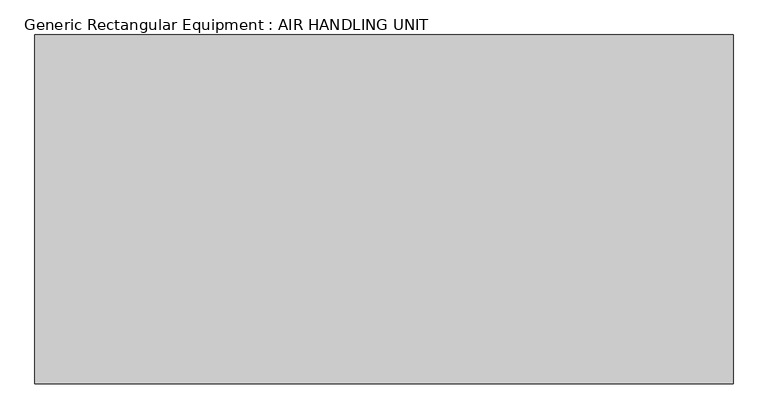
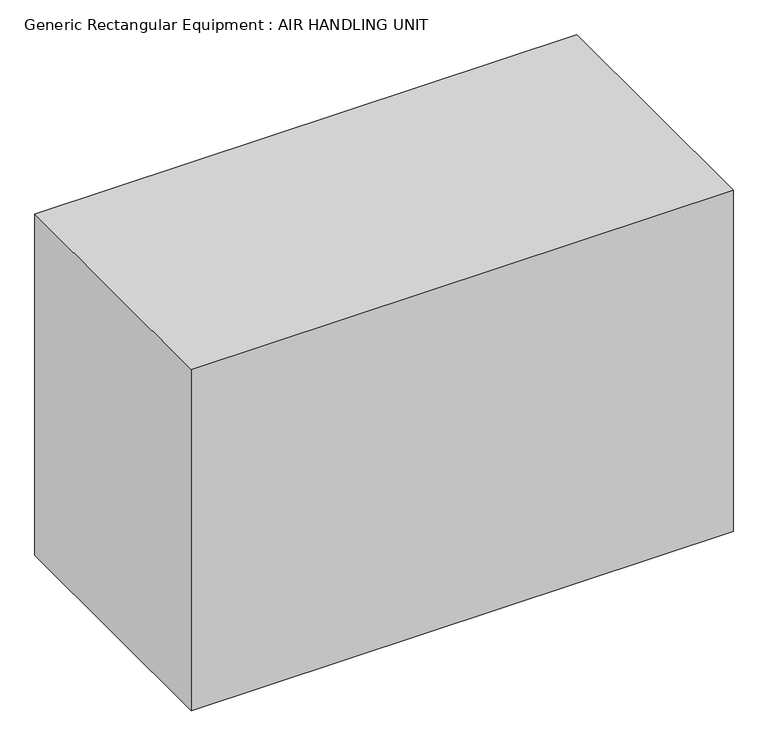
"""IFC4 building model written with IfcOpenShell, lengths in millimetres: proxy geometry, Generic Rectangular Equipment : AIR HANDLING UNIT."""

from ifc_helpers import new_model, si_unit, origin, origin_with_axes, place, context, project, spatial, polyline, outline, extrude, source, transform, mapped, element, save


def generic_rectangular_equipment_air_handling_unit_404a3015(model_context):
    return source(origin(), model_context, "Body", "SweptSolid", [
        extrude(outline(polyline([(914.4, 457.2), (914.4, -457.2), (-914.4, -457.2), (-914.4, 457.2), (914.4, 457.2)])), origin_with_axes(), (0.0, 0.0, 1.0), 1219.2),
    ])


if __name__ == "__main__":
    model = new_model("IFC4")
    model_context = context("Model", 3, world=origin())
    ifc_project = project(units=[si_unit("LENGTHUNIT", "METRE", prefix="MILLI")], contexts=[model_context])
    site = spatial("IfcSite", under=ifc_project)
    building = spatial("IfcBuilding", under=site)
    placement = place(None, origin())
    generic_rectangular_equipment_air_handling_unit_shape = generic_rectangular_equipment_air_handling_unit_404a3015(model_context)
    element("IfcBuildingElementProxy", 1, Name="Generic Rectangular Equipment : AIR HANDLING UNIT", ObjectType="Generic Rectangular Equipment : AIR HANDLING UNIT", at=placement, inside=building, context=model_context, shape_type="MappedRepresentation", body=[
        mapped(generic_rectangular_equipment_air_handling_unit_shape, transform((0.0, 0.0, 0.0), x_axis=(1.0, 0.0, 0.0), y_axis=(0.0, 1.0, 0.0), z_axis=(0.0, 0.0, 1.0))),
    ])
    save(model, "model.ifc")
